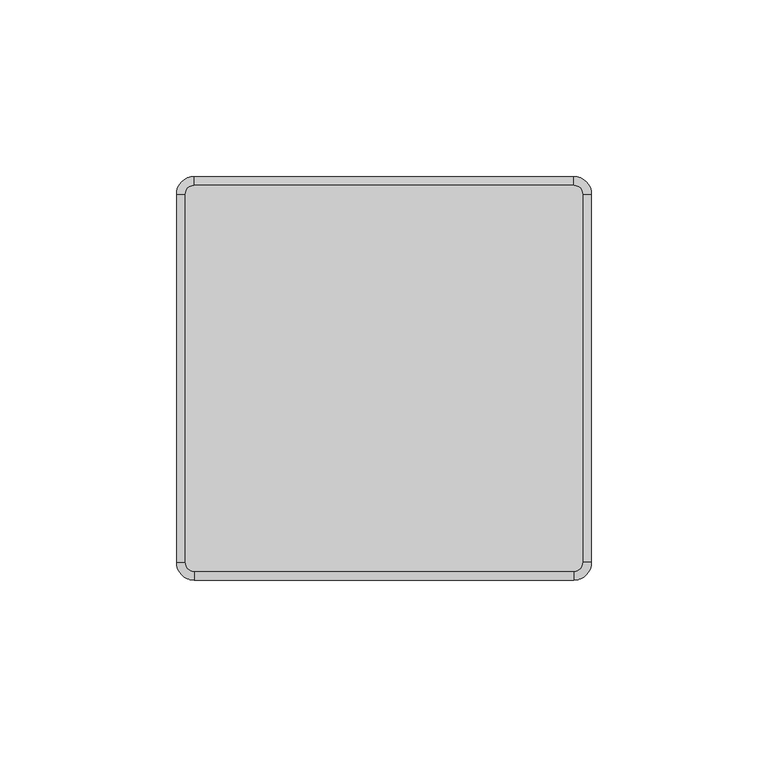
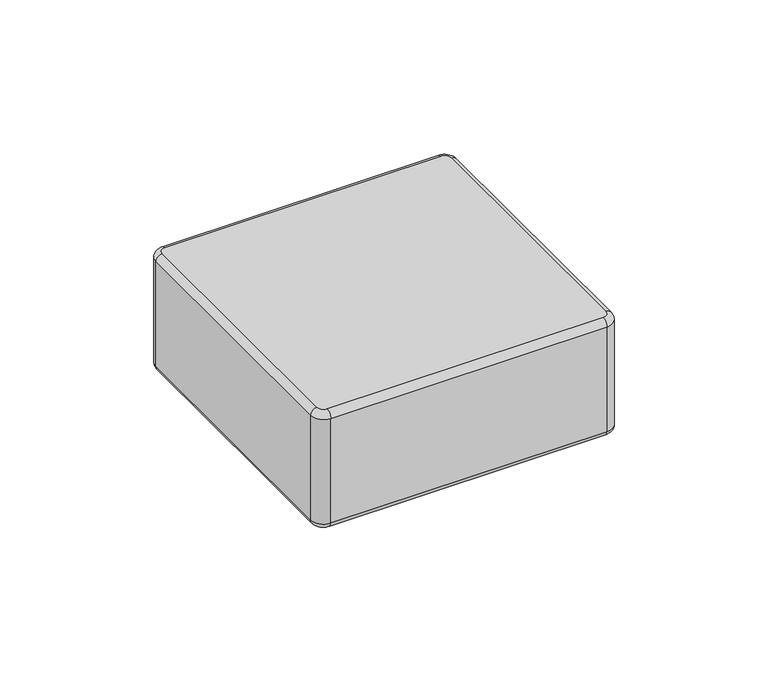
"""IFC4 building model written with IfcOpenShell, lengths in millimetres: plate geometry."""

from ifc_helpers import new_model, si_unit, point, frame, origin, place, context, project, spatial, circle_curve, ellipse_curve, trimmed, source, transform, mapped, element, save
from ifc_brep_helpers import plane_surface, cylinder_surface, revolved_surface, advanced_brep


def plate_d3bceb64(model_context):
    return source(origin(), model_context, "Body", "AdvancedBrep", [
        advanced_brep(
        [(56.2624998, 52.15, 48.0), (53.7624998, 54.65, 48.0), (-53.7375002, 54.65, 48.0), (-56.2375002, 52.15, 48.0), (-56.2375002, -52.15, 48.0), (-53.7375002, -54.65, 48.0), (53.7624998, -54.65, 48.0), (56.2624998, -52.15, 48.0), (-56.2375002, 52.15, 0.0), (-53.7375002, 54.65, 0.0), (53.7624998, 54.65, 0.0), (56.2624998, 52.15, 0.0), (56.2624998, -52.15, 0.0), (53.7624998, -54.65, 0.0), (-53.7375002, -54.65, 0.0), (-56.2375002, -52.15, 0.0), (-53.7375002, -57.15, 2.5), (53.7624998, -57.15, 2.5), (53.7624998, -57.15, 45.5), (-53.7375002, -57.15, 45.5), (58.7624998, -52.15, 2.5), (58.7624998, 52.15, 2.5), (58.7624998, 52.15, 45.5000019), (58.7624998, -52.15, 45.5), (53.7624998, 57.15, 2.5), (-53.7375002, 57.15, 2.5), (-53.7375002, 57.15, 45.5), (53.7624998, 57.15, 45.5), (-58.7375002, 52.15, 2.5), (-58.7375002, -52.15, 2.5), (-58.7375002, -52.15, 45.5), (-58.7375002, 52.15, 45.5)],
        [
            (0, 1, circle_curve(frame((53.7624998, 52.15, 48.0), z_axis=(0.0, 0.0, 1.0), x_axis=(1.0, 0.0, 0.0)), 2.5)),
            (1, 2),
            (2, 3, circle_curve(frame((-53.7375002, 52.15, 48.0), z_axis=(0.0, 0.0, 1.0), x_axis=(0.0, 1.0, 0.0)), 2.5)),
            (3, 4),
            (4, 5, circle_curve(frame((-53.7375002, -52.15, 48.0), z_axis=(0.0, 0.0, 1.0), x_axis=(-1.0, 0.0, 0.0)), 2.5)),
            (5, 6),
            (6, 7, circle_curve(frame((53.7624998, -52.15, 48.0), z_axis=(0.0, 0.0, 1.0), x_axis=(0.0, -1.0, 0.0)), 2.5)),
            (7, 0),
            (8, 9, circle_curve(frame((-53.7375002, 52.15, 0.0), z_axis=(0.0, 0.0, -1.0), x_axis=(-1.0, 0.0, 0.0)), 2.5)),
            (9, 10),
            (10, 11, circle_curve(frame((53.7624998, 52.15, 0.0), z_axis=(0.0, 0.0, -1.0), x_axis=(0.0, 1.0, 0.0)), 2.5)),
            (11, 12),
            (12, 13, circle_curve(frame((53.7624998, -52.15, 0.0), z_axis=(0.0, 0.0, -1.0), x_axis=(1.0, 0.0, 0.0)), 2.5)),
            (13, 14),
            (14, 15, circle_curve(frame((-53.7375002, -52.15, 0.0), z_axis=(0.0, 0.0, -1.0), x_axis=(0.0, -1.0, 0.0)), 2.5)),
            (15, 8),
            (16, 17),
            (17, 18),
            (18, 19),
            (19, 16),
            (20, 21),
            (21, 22),
            (22, 23),
            (23, 20),
            (24, 25),
            (25, 26),
            (26, 27),
            (27, 24),
            (28, 29),
            (29, 30),
            (30, 31),
            (31, 28),
            (29, 16, circle_curve(frame((-53.7375002, -52.15, 2.5), z_axis=(0.0, 0.0, 1.0), x_axis=(1.0, 0.0, 0.0)), 5.0)),
            (19, 30, circle_curve(frame((-53.7375002, -52.15, 45.5), z_axis=(0.0, 0.0, -1.0), x_axis=(1.0, 0.0, 0.0)), 5.0)),
            (17, 20, circle_curve(frame((53.7624998, -52.15, 2.5), z_axis=(0.0, 0.0, 1.0), x_axis=(1.0, 0.0, 0.0)), 5.0)),
            (23, 18, circle_curve(frame((53.7624998, -52.15, 45.5), z_axis=(0.0, 0.0, -1.0), x_axis=(1.0, 0.0, 0.0)), 5.0)),
            (21, 24, circle_curve(frame((53.7624998, 52.15, 2.5), z_axis=(0.0, 0.0, 1.0), x_axis=(1.0, 0.0, 0.0)), 5.0)),
            (27, 22, circle_curve(frame((53.7624998, 52.15, 45.5), z_axis=(0.0, 0.0, -1.0), x_axis=(1.0, 0.0, 0.0)), 5.0)),
            (25, 28, circle_curve(frame((-53.7375002, 52.15, 2.5), z_axis=(0.0, 0.0, 1.0), x_axis=(1.0, 0.0, 0.0)), 5.0)),
            (31, 26, circle_curve(frame((-53.7375002, 52.15, 45.5), z_axis=(0.0, 0.0, -1.0), x_axis=(1.0, 0.0, 0.0)), 5.0)),
            (25, 9, circle_curve(frame((-53.7375002, 54.65, 2.5), z_axis=(-1.0, 0.0, 0.0), x_axis=(0.0, -1.0, 0.0)), 2.5)),
            (8, 28, circle_curve(frame((-56.2375002, 52.15, 2.5), z_axis=(0.0, 1.0, 0.0), x_axis=(1.0, 0.0, 0.0)), 2.5)),
            (24, 10, circle_curve(frame((53.7624998, 54.65, 2.5), z_axis=(-1.0, 0.0, 0.0), x_axis=(0.0, -1.0, 0.0)), 2.5)),
            (21, 11, circle_curve(frame((56.2624998, 52.15, 2.5), z_axis=(0.0, 1.0, 0.0), x_axis=(-1.0, 0.0, 0.0)), 2.5)),
            (20, 12, circle_curve(frame((56.2624998, -52.15, 2.5), z_axis=(0.0, 1.0, 0.0), x_axis=(-1.0, 0.0, 0.0)), 2.5)),
            (17, 13, circle_curve(frame((53.7624998, -54.65, 2.5), z_axis=(1.0, 0.0, 0.0), x_axis=(0.0, 1.0, 0.0)), 2.5)),
            (16, 14, circle_curve(frame((-53.7375002, -54.65, 2.5), z_axis=(1.0, 0.0, 0.0), x_axis=(0.0, 1.0, 0.0)), 2.5)),
            (29, 15, circle_curve(frame((-56.2375002, -52.15, 2.5), z_axis=(0.0, -1.0, 0.0), x_axis=(1.0, 0.0, 0.0)), 2.5)),
            (27, 1, circle_curve(frame((53.7624998, 54.65, 45.5), z_axis=(1.0, 0.0, 0.0), x_axis=(0.0, -1.0, 0.0)), 2.5)),
            (0, 22, circle_curve(frame((56.2624998, 52.15, 45.5), z_axis=(0.0, 1.0, 0.0), x_axis=(-1.0, 0.0, 0.0)), 2.5)),
            (26, 2, circle_curve(frame((-53.7375002, 54.65, 45.5), z_axis=(1.0, 0.0, 0.0), x_axis=(0.0, -1.0, 0.0)), 2.5)),
            (31, 3, circle_curve(frame((-56.2375002, 52.15, 45.5), z_axis=(0.0, 1.0, 0.0), x_axis=(1.0, 0.0, 0.0)), 2.5)),
            (30, 4, circle_curve(frame((-56.2375002, -52.15, 45.5), z_axis=(0.0, 1.0, 0.0), x_axis=(1.0, 0.0, 0.0)), 2.5)),
            (19, 5, circle_curve(frame((-53.7375002, -54.65, 45.5), z_axis=(-1.0, 0.0, 0.0), x_axis=(0.0, 1.0, 0.0)), 2.5)),
            (18, 6, circle_curve(frame((53.7624998, -54.65, 45.5), z_axis=(-1.0, 0.0, 0.0), x_axis=(0.0, 1.0, 0.0)), 2.5)),
            (23, 7, circle_curve(frame((56.2624998, -52.15, 45.5), z_axis=(0.0, -1.0, 0.0), x_axis=(-1.0, 0.0, 0.0)), 2.5)),
        ],
        [
            plane_surface(frame((-48.7375002, -52.15, 48.0), z_axis=(0.0, 0.0, 1.0), x_axis=(0.0, 1.0, 0.0))),
            plane_surface(frame((-48.7375002, -52.15, 0.0), z_axis=(0.0, 0.0, -1.0), x_axis=(0.0, -1.0, 0.0))),
            plane_surface(frame((-53.7375002, -57.15, 48.0), z_axis=(0.0, -1.0, 0.0), x_axis=(0.0, 0.0, -1.0))),
            plane_surface(frame((58.7624998, -52.15, 48.0), z_axis=(1.0, 0.0, 0.0), x_axis=(0.0, 0.0, -1.0))),
            plane_surface(frame((53.7624998, 57.15, 48.0), z_axis=(0.0, 1.0, 0.0), x_axis=(0.0, 0.0, -1.0))),
            plane_surface(frame((-58.7375002, 52.15, 48.0), z_axis=(-1.0, 0.0, 0.0), x_axis=(0.0, 0.0, -1.0))),
            cylinder_surface(frame((-53.7375002, -52.15, 0.0), z_axis=(0.0, 0.0, 1.0), x_axis=(1.0, 0.0, 0.0)), 5.0),
            cylinder_surface(frame((53.7624998, -52.15, 0.0), z_axis=(0.0, 0.0, 1.0), x_axis=(1.0, 0.0, 0.0)), 5.0),
            cylinder_surface(frame((53.7624998, 52.15, 0.0), z_axis=(0.0, 0.0, 1.0), x_axis=(1.0, 0.0, 0.0)), 5.0),
            cylinder_surface(frame((-53.7375002, 52.15, 0.0), z_axis=(0.0, 0.0, 1.0), x_axis=(1.0, 0.0, 0.0)), 5.0),
            revolved_surface(trimmed(ellipse_curve(frame((-56.2375002, 52.15, 2.5), z_axis=(0.0, -1.0, 0.0), x_axis=(1.0, 0.0, 0.0)), 2.5, 2.5), [point((-58.7375002, 52.15, 2.5))], [point((-56.2375002, 52.15, 0.0))], True, "CARTESIAN"), (-53.7375002, 52.15, 0.0), (0.0, 0.0, -1.0)),
            cylinder_surface(frame((-53.7375002, 54.65, 2.5), z_axis=(1.0, 0.0, 0.0), x_axis=(0.0, -1.0, 0.0)), 2.5),
            revolved_surface(trimmed(ellipse_curve(frame((53.7624998, 54.65, 2.5), z_axis=(-1.0, 0.0, 0.0), x_axis=(0.0, -1.0, 0.0)), 2.5, 2.5), [point((53.7624998, 57.15, 2.5))], [point((53.7624998, 54.65, 0.0))], True, "CARTESIAN"), (53.7624998, 52.15, 0.0), (0.0, 0.0, -1.0)),
            cylinder_surface(frame((56.2624998, 52.15, 2.5), z_axis=(0.0, -1.0, 0.0), x_axis=(-1.0, 0.0, 0.0)), 2.5),
            revolved_surface(trimmed(ellipse_curve(frame((56.2624998, -52.15, 2.5), z_axis=(0.0, 1.0, 0.0), x_axis=(-1.0, 0.0, 0.0)), 2.5, 2.5), [point((58.7624998, -52.15, 2.5))], [point((56.2624998, -52.15, 0.0))], True, "CARTESIAN"), (53.7624998, -52.15, 0.0), (0.0, 0.0, -1.0)),
            cylinder_surface(frame((53.7624998, -54.65, 2.5), z_axis=(-1.0, 0.0, 0.0), x_axis=(0.0, 1.0, 0.0)), 2.5),
            revolved_surface(trimmed(ellipse_curve(frame((-53.7375002, -54.65, 2.5), z_axis=(1.0, 0.0, 0.0), x_axis=(0.0, 1.0, 0.0)), 2.5, 2.5), [point((-53.7375002, -57.15, 2.5))], [point((-53.7375002, -54.65, 0.0))], True, "CARTESIAN"), (-53.7375002, -52.15, 0.0), (0.0, 0.0, -1.0)),
            cylinder_surface(frame((-56.2375002, -52.15, 2.5), z_axis=(0.0, 1.0, 0.0), x_axis=(1.0, 0.0, 0.0)), 2.5),
            revolved_surface(trimmed(ellipse_curve(frame((56.2624998, 52.15, 45.5), z_axis=(0.0, -1.0, 0.0), x_axis=(-1.0, 0.0, 0.0)), 2.5, 2.5), [point((58.7624998, 52.15, 45.5))], [point((56.2624998, 52.15, 48.0))], True, "CARTESIAN"), (53.7624998, 52.15, 48.0), (0.0, 0.0, 1.0)),
            cylinder_surface(frame((53.7624998, 54.65, 45.5), z_axis=(-1.0, 0.0, 0.0), x_axis=(0.0, -1.0, 0.0)), 2.5),
            revolved_surface(trimmed(ellipse_curve(frame((-53.7375002, 54.65, 45.5), z_axis=(1.0, 0.0, 0.0), x_axis=(0.0, -1.0, 0.0)), 2.5, 2.5), [point((-53.7375002, 57.15, 45.5))], [point((-53.7375002, 54.65, 48.0))], True, "CARTESIAN"), (-53.7375002, 52.15, 48.0), (0.0, 0.0, 1.0)),
            cylinder_surface(frame((-56.2375002, 52.15, 45.5), z_axis=(0.0, -1.0, 0.0), x_axis=(1.0, 0.0, 0.0)), 2.5),
            revolved_surface(trimmed(ellipse_curve(frame((-56.2375002, -52.15, 45.5), z_axis=(0.0, 1.0, 0.0), x_axis=(1.0, 0.0, 0.0)), 2.5, 2.5), [point((-58.7375002, -52.15, 45.5))], [point((-56.2375002, -52.15, 48.0))], True, "CARTESIAN"), (-53.7375002, -52.15, 48.0), (0.0, 0.0, 1.0)),
            cylinder_surface(frame((-53.7375002, -54.65, 45.5), z_axis=(1.0, 0.0, 0.0), x_axis=(0.0, 1.0, 0.0)), 2.5),
            revolved_surface(trimmed(ellipse_curve(frame((53.7624998, -54.65, 45.5), z_axis=(-1.0, 0.0, 0.0), x_axis=(0.0, 1.0, 0.0)), 2.5, 2.5), [point((53.7624998, -57.15, 45.5))], [point((53.7624998, -54.65, 48.0))], True, "CARTESIAN"), (53.7624998, -52.15, 48.0), (0.0, 0.0, 1.0)),
            cylinder_surface(frame((56.2624998, -52.15, 45.5), z_axis=(0.0, 1.0, 0.0), x_axis=(-1.0, 0.0, 0.0)), 2.5),
        ],
        [
            (0, [[1, 2, 3, 4, 5, 6, 7, 8]]),
            (1, [[9, 10, 11, 12, 13, 14, 15, 16]]),
            (2, [[17, 18, 19, 20]]),
            (3, [[21, 22, 23, 24]]),
            (4, [[25, 26, 27, 28]]),
            (5, [[29, 30, 31, 32]]),
            (6, [[33, -20, 34, -30]]),
            (7, [[35, -24, 36, -18]]),
            (8, [[37, -28, 38, -22]]),
            (9, [[39, -32, 40, -26]]),
            (10, [[41, -9, 42, -39]]),
            (11, [[-41, -25, 43, -10]]),
            (12, [[-43, -37, 44, -11]]),
            (13, [[-44, -21, 45, -12]]),
            (14, [[-45, -35, 46, -13]]),
            (15, [[-46, -17, 47, -14]]),
            (16, [[-47, -33, 48, -15]]),
            (17, [[-42, -16, -48, -29]]),
            (18, [[49, -1, 50, -38]]),
            (19, [[-49, -27, 51, -2]]),
            (20, [[-51, -40, 52, -3]]),
            (21, [[-52, -31, 53, -4]]),
            (22, [[-53, -34, 54, -5]]),
            (23, [[-54, -19, 55, -6]]),
            (24, [[-55, -36, 56, -7]]),
            (25, [[-50, -8, -56, -23]]),
        ],
    ),
    ])


if __name__ == "__main__":
    model = new_model("IFC4")
    model_context = context("Model", 3, world=origin())
    ifc_project = project(units=[si_unit("LENGTHUNIT", "METRE", prefix="MILLI")], contexts=[model_context])
    site = spatial("IfcSite", under=ifc_project)
    building = spatial("IfcBuilding", under=site)
    placement = place(None, origin())
    plate_shape = plate_d3bceb64(model_context)
    element("IfcPlate", 1, at=placement, inside=building, context=model_context, shape_type="MappedRepresentation", body=[
        mapped(plate_shape, transform((0.0, 0.0, 0.0), x_axis=(1.0, 0.0, 0.0), y_axis=(0.0, 1.0, 0.0), z_axis=(0.0, 0.0, 1.0))),
    ])
    save(model, "model.ifc")
